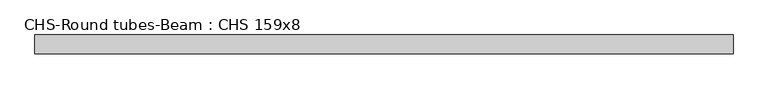
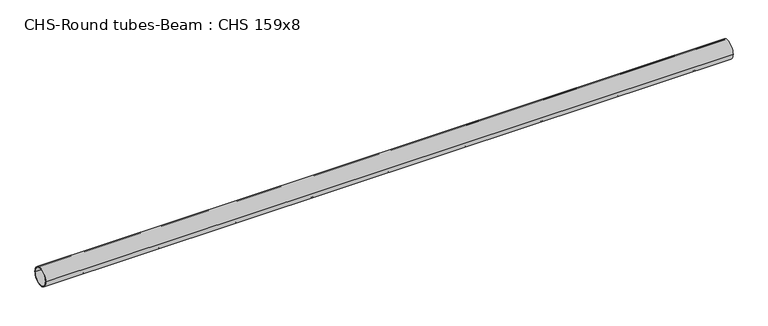
"""IFC4 building model written with IfcOpenShell, lengths in millimetres: beam geometry, CHS-Round tubes-Beam : CHS 159x8."""

from ifc_helpers import new_model, si_unit, point, frame, origin, origin_2d, place, context, project, spatial, circle_curve, trimmed, segment, composite_curve, outline, extrude, source, transform, mapped, element, save


def chs_round_tubes_beam_chs_159x8_f2abe55f(model_context):
    return source(origin(), model_context, "Body", "SweptSolid", [
        extrude(outline(composite_curve([segment(trimmed(circle_curve(origin_2d(), 79.5), [point((79.5, 0.0))], [point((-79.5, 0.0))], False, "CARTESIAN"), True, "CONTINUOUS"), segment(trimmed(circle_curve(origin_2d(), 79.5), [point((-79.5, 0.0))], [point((79.5, 0.0))], False, "CARTESIAN"), True, "CONTINUOUS")], self_intersect=False), holes=[composite_curve([segment(trimmed(circle_curve(origin_2d(), 71.5), [point((71.5, 0.0))], [point((-71.5, 0.0))], True, "CARTESIAN"), True, "CONTINUOUS"), segment(trimmed(circle_curve(origin_2d(), 71.5), [point((-71.5, 0.0))], [point((71.5, 0.0))], True, "CARTESIAN"), True, "CONTINUOUS")], self_intersect=False)]), frame((-2941.4962403, 0.0, 0.0), z_axis=(1.0, 0.0, 0.0), x_axis=(0.0, 1.0, 0.0)), (0.0, 0.0, 1.0), 5882.9924805),
    ])


if __name__ == "__main__":
    model = new_model("IFC4")
    model_context = context("Model", 3, world=origin())
    ifc_project = project(units=[si_unit("LENGTHUNIT", "METRE", prefix="MILLI")], contexts=[model_context])
    site = spatial("IfcSite", under=ifc_project)
    building = spatial("IfcBuilding", under=site)
    placement = place(None, origin())
    chs_round_tubes_beam_chs_159x8_shape = chs_round_tubes_beam_chs_159x8_f2abe55f(model_context)
    element("IfcBeam", 1, ObjectType="CHS-Round tubes-Beam : CHS 159x8", at=placement, inside=building, context=model_context, shape_type="MappedRepresentation", body=[
        mapped(chs_round_tubes_beam_chs_159x8_shape, transform((0.0, 0.0, 0.0), x_axis=(1.0, 0.0, 0.0), y_axis=(0.0, 1.0, 0.0), z_axis=(0.0, 0.0, 1.0))),
    ])
    save(model, "model.ifc")
